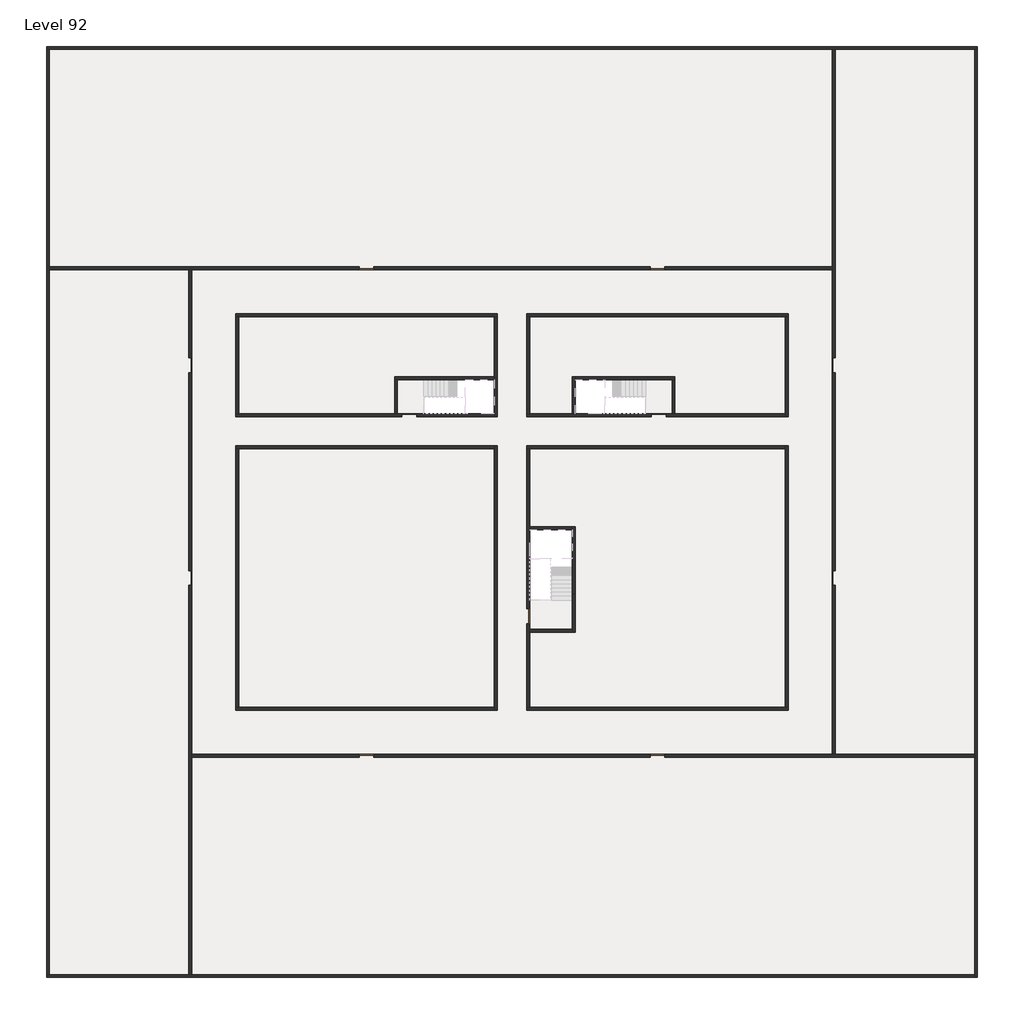
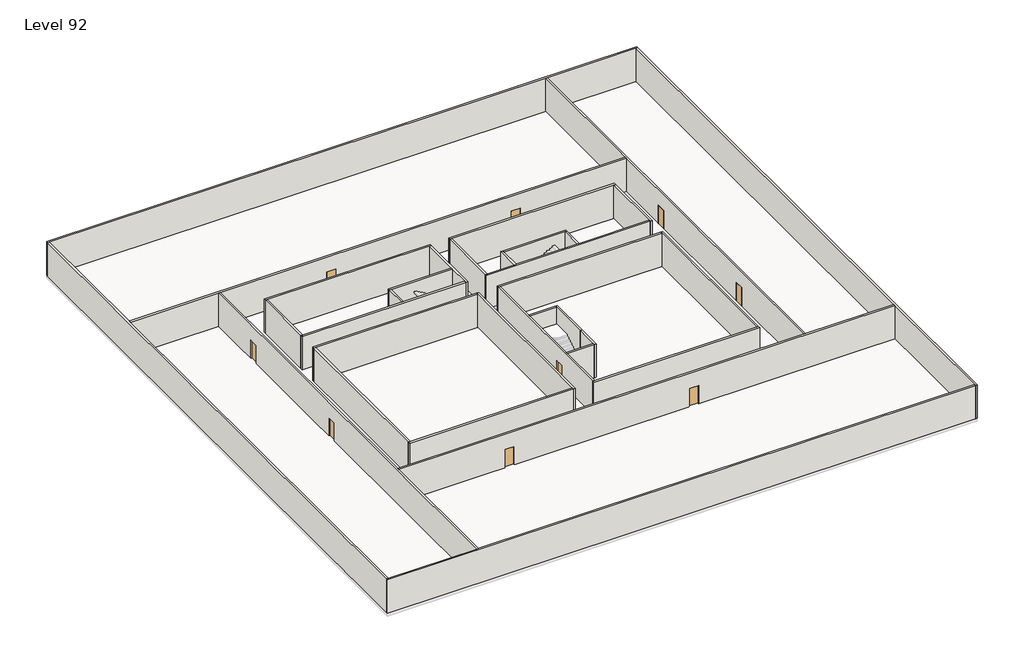
# One storey, part 1 of 2: 33 walls, 11 doors.
"""IFC4 building model written with IfcOpenShell, lengths in millimetres."""

import ifcopenshell
import ifcopenshell.guid

model = None  # the IFC model being written
_history = None  # IfcOwnerHistory: only IFC2X3 demands one
_inside = {}  # id of a spatial element -> (the spatial element, [elements in it])
_under = {}  # id of a project, library or spatial element -> (it, [spatial elements below it])
_declared = {}  # id of a project -> (the project, [libraries it declares])
_typed = {}  # id of a type object -> (the type object, [elements of that type])
_made_of = {}  # id of a material, layer set ... -> (it, [elements and type objects made of it])


def new_model(schema):
    """Start an empty IFC model of exactly this schema.

    Asked for "IFC4X3", IfcOpenShell would pick the latest addendum, in which some entities
    have other attributes; the version numbers below select the first issue.
    IFC2X3 requires an IfcOwnerHistory on every rooted entity: one is made here for all.
    """
    global model, _history
    if schema == "IFC4X3":
        model = ifcopenshell.file(schema_version=(4, 3, 0, 0))
    else:
        model = ifcopenshell.file(schema=schema)
    _inside.clear()
    _under.clear()
    _declared.clear()
    _typed.clear()
    _made_of.clear()
    _history = None
    if model.schema == "IFC2X3":
        org = make("IfcOrganization", Name="unknown")
        user = make(
            "IfcPersonAndOrganization",
            ThePerson=make("IfcPerson", FamilyName="unknown"),
            TheOrganization=org,
        )
        app = make(
            "IfcApplication",
            ApplicationDeveloper=org,
            Version="unknown",
            ApplicationFullName="unknown",
            ApplicationIdentifier="unknown",
        )
        _history = make(
            "IfcOwnerHistory",
            OwningUser=user,
            OwningApplication=app,
            ChangeAction="ADDED",
            CreationDate=0,
        )
    return model


def make(cls, **values):
    """One entity of the class cls with the attributes given. An attribute that is None is left unset."""
    return model.create_entity(
        cls, **{name: value for name, value in values.items() if value is not None}
    )


def rooted(cls, **values):
    """An entity with a GlobalId (a new one), such as an element, a storey or a relation."""
    return make(cls, GlobalId=ifcopenshell.guid.new(), OwnerHistory=_history, **values)


def si_unit(unit_type, name, prefix=None):
    """IfcSIUnit, for example si_unit("LENGTHUNIT", "METRE", prefix="MILLI")."""
    return make("IfcSIUnit", UnitType=unit_type, Prefix=prefix, Name=name)


def assignment(units):
    """IfcUnitAssignment: the units of a project."""
    return None if units is None else make("IfcUnitAssignment", Units=units)


def point(xyz):
    """IfcCartesianPoint."""
    return None if xyz is None else make("IfcCartesianPoint", Coordinates=xyz)


def direction(xyz):
    """IfcDirection."""
    return None if xyz is None else make("IfcDirection", DirectionRatios=xyz)


def frame(location, z_axis=None, x_axis=None):
    """IfcAxis2Placement3D, a coordinate frame: its origin and axes. An axis left out is left unset."""
    return make(
        "IfcAxis2Placement3D",
        Location=point(location),
        Axis=direction(z_axis),
        RefDirection=direction(x_axis),
    )


def origin():
    """The frame at (0, 0, 0) with its axes left unset."""
    return frame((0.0, 0.0, 0.0))


def origin_with_axes():
    """The frame at (0, 0, 0) with the z axis (0, 0, 1) and the x axis (1, 0, 0) written out."""
    return frame((0.0, 0.0, 0.0), z_axis=(0.0, 0.0, 1.0), x_axis=(1.0, 0.0, 0.0))


def place(relative_to, where):
    """IfcLocalPlacement: puts the frame where relative to a parent placement (None: the world)."""
    return make(
        "IfcLocalPlacement", PlacementRelTo=relative_to, RelativePlacement=where
    )


def context(
    kind, dimensions, precision=None, world=None, true_north=None, identifier=None
):
    """IfcGeometricRepresentationContext, for example the 3D "Model" context."""
    return make(
        "IfcGeometricRepresentationContext",
        ContextIdentifier=identifier,
        ContextType=kind,
        CoordinateSpaceDimension=dimensions,
        Precision=precision,
        WorldCoordinateSystem=world,
        TrueNorth=true_north,
    )


def project(units=None, contexts=None):
    """IfcProject with its units and contexts."""
    return rooted(
        "IfcProject",
        Name="project",
        RepresentationContexts=contexts,
        UnitsInContext=assignment(units),
    )


def spatial(cls, under=None, at=None, **own):
    """A site, building, storey or space (cls), placed at a placement, below another one or the project."""
    s = rooted(cls, ObjectPlacement=at, **own)
    if under is not None:
        _under.setdefault(under.id(), (under, []))[1].append(s)
    return s


def polyline(points):
    """IfcPolyline through the points."""
    return make("IfcPolyline", Points=[point(p) for p in points])


def outline(outer, holes=None, kind="AREA"):
    """IfcArbitraryClosedProfileDef: a profile drawn as a closed curve; with holes, ...WithVoids."""
    if holes is None:
        return make("IfcArbitraryClosedProfileDef", ProfileType=kind, OuterCurve=outer)
    return make(
        "IfcArbitraryProfileDefWithVoids",
        ProfileType=kind,
        OuterCurve=outer,
        InnerCurves=holes,
    )


def extrude(swept, where, along, depth):
    """IfcExtrudedAreaSolid: the profile swept, set in the frame where, extruded along a direction by depth."""
    return make(
        "IfcExtrudedAreaSolid",
        SweptArea=swept,
        Position=where,
        ExtrudedDirection=direction(along),
        Depth=depth,
    )


def faces_of(points, faces, orient=None, outer=None):
    """IfcFace entities. A face is a list of loops; a loop is a list of indices into points, from 0.

    orient and outer hold one flag for each loop. By default every Orientation is true, the
    first loop of a face is its IfcFaceOuterBound and the others are IfcFaceBound.
    """
    made = []
    for i, loops in enumerate(faces):
        bounds = []
        for j, loop in enumerate(loops):
            is_outer = j == 0 if outer is None else outer[i][j]
            bounds.append(
                make(
                    "IfcFaceOuterBound" if is_outer else "IfcFaceBound",
                    Bound=make("IfcPolyLoop", Polygon=[points[k] for k in loop]),
                    Orientation=True if orient is None else orient[i][j],
                )
            )
        made.append(make("IfcFace", Bounds=bounds))
    return made


def faceted_brep(points, faces, orient=None, outer=None, voids=None):
    """IfcFacetedBrep: a solid bounded by flat faces; with voids (closed shells), ...WithVoids."""
    shared = [point(p) for p in points]
    hull = make("IfcClosedShell", CfsFaces=faces_of(shared, faces, orient, outer))
    if voids is None:
        return make("IfcFacetedBrep", Outer=hull)
    return make(
        "IfcFacetedBrepWithVoids",
        Outer=hull,
        Voids=[
            make(cls, CfsFaces=faces_of(shared, fs, o, b)) for cls, fs, o, b in voids
        ],
    )


def shape(context_of_items, identifier, shape_type, items):
    """IfcShapeRepresentation: the items that make up one representation, for example the "Body"."""
    return make(
        "IfcShapeRepresentation",
        ContextOfItems=context_of_items,
        RepresentationIdentifier=identifier,
        RepresentationType=shape_type,
        Items=items,
    )


def source(mapping_origin, context_of_items, identifier, shape_type, items):
    """IfcRepresentationMap: a shape defined once, which mapped items show again and again."""
    return make(
        "IfcRepresentationMap",
        MappingOrigin=mapping_origin,
        MappedRepresentation=shape(context_of_items, identifier, shape_type, items),
    )


def transform(
    local_origin,
    x_axis=None,
    y_axis=None,
    z_axis=None,
    scale=None,
    scale2=None,
    scale3=None,
    uniform=True,
):
    """IfcCartesianTransformationOperator3D, or its non-uniform kind. x_axis, y_axis, z_axis: its Axis1, 2, 3."""
    if uniform:
        return make(
            "IfcCartesianTransformationOperator3D",
            Axis1=direction(x_axis),
            Axis2=direction(y_axis),
            LocalOrigin=point(local_origin),
            Scale=scale,
            Axis3=direction(z_axis),
        )
    return make(
        "IfcCartesianTransformationOperator3DnonUniform",
        Axis1=direction(x_axis),
        Axis2=direction(y_axis),
        LocalOrigin=point(local_origin),
        Scale=scale,
        Axis3=direction(z_axis),
        Scale2=scale2,
        Scale3=scale3,
    )


def mapped(mapping_source, mapping_target):
    """IfcMappedItem: shows the shape of a source again, moved by a transform."""
    return make(
        "IfcMappedItem", MappingSource=mapping_source, MappingTarget=mapping_target
    )


def made_of(thing, what):
    """Note that an element or type object is made of a material, layer set ...; save() writes the relation."""
    if what is not None:
        _made_of.setdefault(what.id(), (what, []))[1].append(thing)
    return thing


def element(
    cls,
    number,
    at=None,
    inside=None,
    cuts=None,
    type_object=None,
    material=None,
    context=None,
    identifier="Body",
    shape_type=None,
    held_by="IfcProductDefinitionShape",
    body=None,
    shapes=None,
    **own,
):
    """One element of the class cls, such as IfcWall. Its Tag is "e" and its number.

    at: its placement. inside: the storey or other place that contains it. cuts: it is an
    opening in that element (IfcRelVoidsElement). A single representation is given by context,
    identifier, shape_type and body (its items); several are given by shapes. held_by: the class
    of the entity that holds the representations. save() writes the other relations.
    """
    e = rooted(cls, Tag="e%d" % number, ObjectPlacement=at, **own)
    if body is not None:
        shapes = [shape(context, identifier, shape_type, body)]
    if shapes is not None:
        e.Representation = make(held_by, Representations=shapes)
    if inside is not None:
        _inside.setdefault(inside.id(), (inside, []))[1].append(e)
    if cuts is not None:
        rooted(
            "IfcRelVoidsElement", RelatingBuildingElement=cuts, RelatedOpeningElement=e
        )
    if type_object is not None:
        _typed.setdefault(type_object.id(), (type_object, []))[1].append(e)
    return made_of(e, material)


def aggregate(whole, parts):
    """IfcRelAggregates: a whole, such as a stair, and the parts it consists of."""
    return rooted("IfcRelAggregates", RelatingObject=whole, RelatedObjects=parts)


def save(model, path):
    """Write the relations noted so far, then the file.

    IfcRelAggregates (storeys below a building ...), IfcRelContainedInSpatialStructure (elements
    in a storey), IfcRelDefinesByType, IfcRelAssociatesMaterial and IfcRelDeclares: one each for
    every whole, place, type object, material and project.
    """
    for whole, parts in _under.values():
        aggregate(whole, parts)
    for where, things in _inside.values():
        rooted(
            "IfcRelContainedInSpatialStructure",
            RelatedElements=things,
            RelatingStructure=where,
        )
    for kind, things in _typed.values():
        rooted("IfcRelDefinesByType", RelatedObjects=things, RelatingType=kind)
    for what, things in _made_of.values():
        rooted("IfcRelAssociatesMaterial", RelatedObjects=things, RelatingMaterial=what)
    for by, libraries in _declared.values():
        rooted("IfcRelDeclares", RelatingContext=by, RelatedDefinitions=libraries)
    model.write(path)


def door_fb3c37fd(model_context):
    return source(origin(), model_context, "Body", "SweptSolid", [
        extrude(outline(polyline([(500.0, 49.0), (-500.0, 49.0), (-500.0, 100.0), (500.0, 100.0), (500.0, 49.0)])), origin_with_axes(), (0.0, 0.0, 1.0), 2100.0),
    ])


def door_0317a72c(model_context):
    return source(origin(), model_context, "Body", "SweptSolid", [
        extrude(outline(polyline([(500.0, -49.0), (500.0, -100.0), (-500.0, -100.0), (-500.0, -49.0), (500.0, -49.0)])), origin_with_axes(), (0.0, 0.0, 1.0), 2100.0),
    ])


model = new_model("IFC4")

# Units and contexts
model_context = context("Model", 3, world=origin())
ifc_project = project(units=[si_unit("LENGTHUNIT", "METRE", prefix="MILLI")], contexts=[model_context])

# Site, building, storey
site = spatial("IfcSite", under=ifc_project)
building = spatial("IfcBuilding", under=site)
storey = spatial("IfcBuildingStorey", under=building, Name="Level 92", Elevation=345800.0)

# Doors
placement = place(None, origin())
door_shape = door_fb3c37fd(model_context)
element("IfcDoor", 1, at=placement, inside=storey, context=model_context, shape_type="MappedRepresentation", body=[
    mapped(door_shape, transform((34190.1058784, -30618.09644, 345800.0), x_axis=(1.0, 0.0, 0.0), y_axis=(0.0, 1.0, 0.0), z_axis=(0.0, 0.0, 1.0))),
])
element("IfcDoor", 2, at=placement, inside=storey, context=model_context, shape_type="MappedRepresentation", body=[
    mapped(door_shape, transform((25290.1058784, -44318.09644, 345800.0), x_axis=(0.0, -1.0, 0.0), y_axis=(1.0, 0.0, 0.0), z_axis=(0.0, 0.0, 1.0))),
])
element("IfcDoor", 3, at=placement, inside=storey, context=model_context, shape_type="MappedRepresentation", body=[
    mapped(door_shape, transform((2290.1058784, -41718.09644, 345800.0), x_axis=(0.0, -1.0, 0.0), y_axis=(1.0, 0.0, 0.0), z_axis=(0.0, 0.0, 1.0))),
])
element("IfcDoor", 4, at=placement, inside=storey, context=model_context, shape_type="MappedRepresentation", body=[
    mapped(door_shape, transform((2290.1058784, -27218.09644, 345800.0), x_axis=(0.0, -1.0, 0.0), y_axis=(1.0, 0.0, 0.0), z_axis=(0.0, 0.0, 1.0))),
])
element("IfcDoor", 5, at=placement, inside=storey, context=model_context, shape_type="MappedRepresentation", body=[
    mapped(door_shape, transform((14290.1058784, -20618.09644, 345800.0), x_axis=(-1.0, 0.0, 0.0), y_axis=(0.0, -1.0, 0.0), z_axis=(0.0, 0.0, 1.0))),
])
element("IfcDoor", 6, at=placement, inside=storey, context=model_context, shape_type="MappedRepresentation", body=[
    mapped(door_shape, transform((34090.1058784, -20618.09644, 345800.0), x_axis=(-1.0, 0.0, 0.0), y_axis=(0.0, -1.0, 0.0), z_axis=(0.0, 0.0, 1.0))),
])
element("IfcDoor", 7, at=placement, inside=storey, context=model_context, shape_type="MappedRepresentation", body=[
    mapped(door_shape, transform((46090.1058784, -27218.09644, 345800.0), x_axis=(0.0, 1.0, 0.0), y_axis=(-1.0, 0.0, 0.0), z_axis=(0.0, 0.0, 1.0))),
])
element("IfcDoor", 8, at=placement, inside=storey, context=model_context, shape_type="MappedRepresentation", body=[
    mapped(door_shape, transform((46090.1058784, -41718.09644, 345800.0), x_axis=(0.0, 1.0, 0.0), y_axis=(-1.0, 0.0, 0.0), z_axis=(0.0, 0.0, 1.0))),
])
element("IfcDoor", 9, at=placement, inside=storey, context=model_context, shape_type="MappedRepresentation", body=[
    mapped(door_shape, transform((34090.1058784, -53818.09644, 345800.0), x_axis=(1.0, 0.0, 0.0), y_axis=(0.0, 1.0, 0.0), z_axis=(0.0, 0.0, 1.0))),
])
element("IfcDoor", 10, at=placement, inside=storey, context=model_context, shape_type="MappedRepresentation", body=[
    mapped(door_shape, transform((14290.1058784, -53818.09644, 345800.0), x_axis=(1.0, 0.0, 0.0), y_axis=(0.0, 1.0, 0.0), z_axis=(0.0, 0.0, 1.0))),
])
door_2_shape = door_0317a72c(model_context)
element("IfcDoor", 11, at=placement, inside=storey, context=model_context, shape_type="MappedRepresentation", body=[
    mapped(door_2_shape, transform((17190.1058784, -30618.09644, 345800.0), x_axis=(-1.0, 0.0, 0.0), y_axis=(0.0, -1.0, 0.0), z_axis=(0.0, 0.0, 1.0))),
])

# Walls
element("IfcWall", 12, at=placement, inside=storey, context=model_context, shape_type="Brep", body=[
    faceted_brep([(-7509.8941216, -5718.09644, 345800.0), (-7309.8941216, -5718.09644, 345800.0), (45990.1058784, -5718.09644, 345800.0), (46190.1058784, -5718.09644, 345800.0), (55690.1058784, -5718.09644, 345800.0), (55890.1058784, -5718.09644, 345800.0), (55890.1058784, -5718.09644, 349600.0), (55690.1058784, -5718.09644, 349600.0), (46190.1058784, -5718.09644, 349600.0), (45990.1058784, -5718.09644, 349600.0), (-7309.8941216, -5718.09644, 349600.0), (-7509.8941216, -5718.09644, 349600.0), (-7509.8941216, -5518.09644, 345800.0), (-7509.8941216, -5518.09644, 349600.0), (55890.1058784, -5518.09644, 349600.0), (55890.1058784, -5518.09644, 345800.0)], [[[0, 1, 2, 3, 4, 5, 6, 7, 8, 9, 10, 11]], [[12, 13, 14, 15]], [[5, 4, 3, 2, 1, 0, 12, 15]], [[11, 10, 9, 8, 7, 6, 14, 13]], [[0, 11, 13, 12]], [[6, 5, 15, 14]]]),
])
element("IfcWall", 13, at=placement, inside=storey, context=model_context, shape_type="Brep", body=[
    faceted_brep([(55690.1058784, -5718.09644, 345800.0), (55690.1058784, -53718.09644, 345800.0), (55690.1058784, -53918.09644, 345800.0), (55690.1058784, -68718.09644, 345800.0), (55690.1058784, -68918.09644, 345800.0), (55690.1058784, -68918.09644, 349600.0), (55690.1058784, -68718.09644, 349600.0), (55690.1058784, -53918.09644, 349600.0), (55690.1058784, -53718.09644, 349600.0), (55690.1058784, -5718.09644, 349600.0), (55890.1058784, -5718.09644, 345800.0), (55890.1058784, -5718.09644, 349600.0), (55890.1058784, -68918.09644, 349600.0), (55890.1058784, -68918.09644, 345800.0)], [[[0, 1, 2, 3, 4, 5, 6, 7, 8, 9]], [[10, 11, 12, 13]], [[4, 3, 2, 1, 0, 10, 13]], [[9, 8, 7, 6, 5, 12, 11]], [[5, 4, 13, 12]], [[0, 9, 11, 10]]]),
])
element("IfcWall", 14, at=placement, inside=storey, context=model_context, shape_type="Brep", body=[
    faceted_brep([(55690.1058784, -68718.09644, 345800.0), (2390.1058784, -68718.09644, 345800.0), (2190.1058784, -68718.09644, 345800.0), (-7309.8941216, -68718.09644, 345800.0), (-7509.8941216, -68718.09644, 345800.0), (-7509.8941216, -68718.09644, 349600.0), (-7309.8941216, -68718.09644, 349600.0), (2190.1058784, -68718.09644, 349600.0), (2390.1058784, -68718.09644, 349600.0), (55690.1058784, -68718.09644, 349600.0), (55690.1058784, -68918.09644, 345800.0), (55690.1058784, -68918.09644, 349600.0), (-7509.8941216, -68918.09644, 349600.0), (-7509.8941216, -68918.09644, 345800.0)], [[[0, 1, 2, 3, 4, 5, 6, 7, 8, 9]], [[10, 11, 12, 13]], [[4, 3, 2, 1, 0, 10, 13]], [[9, 8, 7, 6, 5, 12, 11]], [[5, 4, 13, 12]], [[0, 9, 11, 10]]]),
])
element("IfcWall", 15, at=placement, inside=storey, context=model_context, shape_type="Brep", body=[
    faceted_brep([(-7309.8941216, -68718.09644, 345800.0), (-7309.8941216, -20718.09644, 345800.0), (-7309.8941216, -20518.09644, 345800.0), (-7309.8941216, -5718.09644, 345800.0), (-7309.8941216, -5718.09644, 349600.0), (-7309.8941216, -20518.09644, 349600.0), (-7309.8941216, -20718.09644, 349600.0), (-7309.8941216, -68718.09644, 349600.0), (-7509.8941216, -68718.09644, 345800.0), (-7509.8941216, -68718.09644, 349600.0), (-7509.8941216, -5718.09644, 349600.0), (-7509.8941216, -5718.09644, 345800.0)], [[[0, 1, 2, 3, 4, 5, 6, 7]], [[8, 9, 10, 11]], [[3, 2, 1, 0, 8, 11]], [[7, 6, 5, 4, 10, 9]], [[0, 7, 9, 8]], [[4, 3, 11, 10]]]),
])
element("IfcWall", 16, at=placement, inside=storey, context=model_context, shape_type="Brep", body=[
    faceted_brep([(5390.1058784, -23918.09644, 345800.0), (5590.1058784, -23918.09644, 345800.0), (22990.1058784, -23918.09644, 345800.0), (23190.1058784, -23918.09644, 345800.0), (23190.1058784, -23918.09644, 349600.0), (22990.1058784, -23918.09644, 349600.0), (5590.1058784, -23918.09644, 349600.0), (5390.1058784, -23918.09644, 349600.0), (5390.1058784, -23718.09644, 345800.0), (5390.1058784, -23718.09644, 349600.0), (23190.1058784, -23718.09644, 349600.0), (23190.1058784, -23718.09644, 345800.0)], [[[0, 1, 2, 3, 4, 5, 6, 7]], [[8, 9, 10, 11]], [[3, 2, 1, 0, 8, 11]], [[7, 6, 5, 4, 10, 9]], [[4, 3, 11, 10]], [[0, 7, 9, 8]]]),
])
element("IfcWall", 17, at=placement, inside=storey, context=model_context, shape_type="Brep", body=[
    faceted_brep([(22990.1058784, -23918.09644, 345800.0), (22990.1058784, -28018.09644, 345800.0), (22990.1058784, -28218.09644, 345800.0), (22990.1058784, -30518.09644, 345800.0), (22990.1058784, -30718.09644, 345800.0), (22990.1058784, -30718.09644, 349600.0), (22990.1058784, -30518.09644, 349600.0), (22990.1058784, -28218.09644, 349600.0), (22990.1058784, -28018.09644, 349600.0), (22990.1058784, -23918.09644, 349600.0), (23190.1058784, -23918.09644, 345800.0), (23190.1058784, -23918.09644, 349600.0), (23190.1058784, -30718.09644, 349600.0), (23190.1058784, -30718.09644, 345800.0)], [[[0, 1, 2, 3, 4, 5, 6, 7, 8, 9]], [[10, 11, 12, 13]], [[4, 3, 2, 1, 0, 10, 13]], [[9, 8, 7, 6, 5, 12, 11]], [[0, 9, 11, 10]], [[5, 4, 13, 12]]]),
])
element("IfcWall", 18, at=placement, inside=storey, context=model_context, shape_type="Brep", body=[
    faceted_brep([(25190.1058784, -44818.09644, 347900.0), (25190.1058784, -44818.09644, 345800.0), (25190.1058784, -50518.09644, 345800.0), (25190.1058784, -50518.09644, 349600.0), (25190.1058784, -32918.09644, 349600.0), (25190.1058784, -32918.09644, 345800.0), (25190.1058784, -43818.09644, 345800.0), (25190.1058784, -43818.09644, 347900.0), (25390.1058784, -50518.09644, 345800.0), (25390.1058784, -45418.09644, 345800.0), (25390.1058784, -45218.09644, 345800.0), (25390.1058784, -44818.09644, 345800.0), (25390.1058784, -44818.09644, 347900.0), (25390.1058784, -43818.09644, 347900.0), (25390.1058784, -43818.09644, 345800.0), (25390.1058784, -38418.09644, 345800.0), (25390.1058784, -38218.09644, 345800.0), (25390.1058784, -32918.09644, 345800.0), (25390.1058784, -32918.09644, 349600.0), (25390.1058784, -38218.09644, 349600.0), (25390.1058784, -38418.09644, 349600.0), (25390.1058784, -45218.09644, 349600.0), (25390.1058784, -45418.09644, 349600.0), (25390.1058784, -50518.09644, 349600.0)], [[[0, 1, 2, 3, 4, 5, 6, 7]], [[8, 9, 10, 11, 12, 13, 14, 15, 16, 17, 18, 19, 20, 21, 22, 23]], [[6, 5, 17, 16, 15, 14]], [[2, 1, 11, 10, 9, 8]], [[4, 3, 23, 22, 21, 20, 19, 18]], [[12, 11, 1, 0]], [[13, 12, 0, 7]], [[14, 13, 7, 6]], [[5, 4, 18, 17]], [[3, 2, 8, 23]]]),
])
element("IfcWall", 19, at=placement, inside=storey, context=model_context, shape_type="Brep", body=[
    faceted_brep([(22990.1058784, -32718.09644, 345800.0), (22990.1058784, -32918.09644, 345800.0), (22990.1058784, -50518.09644, 345800.0), (22990.1058784, -50718.09644, 345800.0), (22990.1058784, -50718.09644, 349600.0), (22990.1058784, -50518.09644, 349600.0), (22990.1058784, -32918.09644, 349600.0), (22990.1058784, -32718.09644, 349600.0), (23190.1058784, -32718.09644, 345800.0), (23190.1058784, -32718.09644, 349600.0), (23190.1058784, -50718.09644, 349600.0), (23190.1058784, -50718.09644, 345800.0)], [[[0, 1, 2, 3, 4, 5, 6, 7]], [[8, 9, 10, 11]], [[3, 2, 1, 0, 8, 11]], [[7, 6, 5, 4, 10, 9]], [[4, 3, 11, 10]], [[0, 7, 9, 8]]]),
])
element("IfcWall", 20, at=placement, inside=storey, context=model_context, shape_type="Brep", body=[
    faceted_brep([(22990.1058784, -50518.09644, 345800.0), (5590.1058784, -50518.09644, 345800.0), (5390.1058784, -50518.09644, 345800.0), (5390.1058784, -50518.09644, 349600.0), (5590.1058784, -50518.09644, 349600.0), (22990.1058784, -50518.09644, 349600.0), (22990.1058784, -50718.09644, 345800.0), (22990.1058784, -50718.09644, 349600.0), (5390.1058784, -50718.09644, 349600.0), (5390.1058784, -50718.09644, 345800.0)], [[[0, 1, 2, 3, 4, 5]], [[6, 7, 8, 9]], [[2, 1, 0, 6, 9]], [[5, 4, 3, 8, 7]], [[0, 5, 7, 6]], [[3, 2, 9, 8]]]),
])
element("IfcWall", 21, at=placement, inside=storey, context=model_context, shape_type="Brep", body=[
    faceted_brep([(28290.1058784, -42818.09644, 345800.0), (28290.1058784, -45218.09644, 345800.0), (28290.1058784, -45418.09644, 345800.0), (28290.1058784, -45418.09644, 349600.0), (28290.1058784, -45218.09644, 349600.0), (28290.1058784, -42818.09644, 349600.0), (28490.1058784, -42818.09644, 345800.0), (28490.1058784, -42818.09644, 349600.0), (28490.1058784, -45418.09644, 349600.0), (28490.1058784, -45418.09644, 345800.0)], [[[0, 1, 2, 3, 4, 5]], [[6, 7, 8, 9]], [[2, 1, 0, 6, 9]], [[5, 4, 3, 8, 7]], [[0, 5, 7, 6]], [[3, 2, 9, 8]]]),
])
element("IfcWall", 22, at=placement, inside=storey, context=model_context, shape_type="SweptSolid", body=[
    extrude(outline(polyline([(5390.1058784, -30518.09644), (5390.1058784, -23918.09644), (5590.1058784, -23918.09644), (5590.1058784, -30518.09644), (5390.1058784, -30518.09644)])), frame((0.0, 0.0, 345800.0), z_axis=(0.0, 0.0, 1.0), x_axis=(1.0, 0.0, 0.0)), (0.0, 0.0, 1.0), 3800.0),
])
element("IfcWall", 23, at=placement, inside=storey, context=model_context, shape_type="Brep", body=[
    faceted_brep([(5390.1058784, -30718.09644, 345800.0), (16690.1058784, -30718.09644, 345800.0), (16690.1058784, -30718.09644, 347900.0), (17690.1058784, -30718.09644, 347900.0), (17690.1058784, -30718.09644, 345800.0), (22990.1058784, -30718.09644, 345800.0), (22990.1058784, -30718.09644, 349600.0), (5390.1058784, -30718.09644, 349600.0), (16690.1058784, -30518.09644, 347900.0), (16690.1058784, -30518.09644, 345800.0), (16390.1058784, -30518.09644, 345800.0), (16190.1058784, -30518.09644, 345800.0), (5590.1058784, -30518.09644, 345800.0), (5390.1058784, -30518.09644, 345800.0), (5390.1058784, -30518.09644, 349600.0), (5590.1058784, -30518.09644, 349600.0), (16190.1058784, -30518.09644, 349600.0), (16390.1058784, -30518.09644, 349600.0), (22990.1058784, -30518.09644, 349600.0), (22990.1058784, -30518.09644, 345800.0), (17690.1058784, -30518.09644, 345800.0), (17690.1058784, -30518.09644, 347900.0)], [[[0, 1, 2, 3, 4, 5, 6, 7]], [[8, 9, 10, 11, 12, 13, 14, 15, 16, 17, 18, 19, 20, 21]], [[20, 19, 5, 4]], [[13, 12, 11, 10, 9, 1, 0]], [[7, 6, 18, 17, 16, 15, 14]], [[2, 1, 9, 8]], [[3, 2, 8, 21]], [[4, 3, 21, 20]], [[0, 7, 14, 13]], [[6, 5, 19, 18]]]),
])
element("IfcWall", 24, at=placement, inside=storey, context=model_context, shape_type="Brep", body=[
    faceted_brep([(28490.1058784, -42818.09644, 345800.0), (28490.1058784, -38218.09644, 345800.0), (28490.1058784, -38218.09644, 349600.0), (28490.1058784, -42818.09644, 349600.0), (28290.1058784, -42818.09644, 345800.0), (28290.1058784, -42818.09644, 349600.0), (28290.1058784, -38418.09644, 349600.0), (28290.1058784, -38218.09644, 349600.0), (28290.1058784, -38218.09644, 345800.0), (28290.1058784, -38418.09644, 345800.0)], [[[0, 1, 2, 3]], [[4, 5, 6, 7, 8, 9]], [[1, 0, 4, 9, 8]], [[3, 2, 7, 6, 5]], [[0, 3, 5, 4]], [[2, 1, 8, 7]]]),
])
element("IfcWall", 25, at=placement, inside=storey, context=model_context, shape_type="SweptSolid", body=[
    extrude(outline(polyline([(25390.1058784, -38218.09644), (28290.1058784, -38218.09644), (28290.1058784, -38418.09644), (25390.1058784, -38418.09644), (25390.1058784, -38218.09644)])), frame((0.0, 0.0, 345800.0), z_axis=(0.0, 0.0, 1.0), x_axis=(1.0, 0.0, 0.0)), (0.0, 0.0, 1.0), 3800.0),
])
element("IfcWall", 26, at=placement, inside=storey, context=model_context, shape_type="SweptSolid", body=[
    extrude(outline(polyline([(28290.1058784, -45418.09644), (25390.1058784, -45418.09644), (25390.1058784, -45218.09644), (28290.1058784, -45218.09644), (28290.1058784, -45418.09644)])), frame((0.0, 0.0, 345800.0), z_axis=(0.0, 0.0, 1.0), x_axis=(1.0, 0.0, 0.0)), (0.0, 0.0, 1.0), 3800.0),
])
element("IfcWall", 27, at=placement, inside=storey, context=model_context, shape_type="Brep", body=[
    faceted_brep([(5390.1058784, -32918.09644, 345800.0), (5590.1058784, -32918.09644, 345800.0), (22990.1058784, -32918.09644, 345800.0), (22990.1058784, -32918.09644, 349600.0), (5590.1058784, -32918.09644, 349600.0), (5390.1058784, -32918.09644, 349600.0), (5390.1058784, -32718.09644, 345800.0), (5390.1058784, -32718.09644, 349600.0), (22990.1058784, -32718.09644, 349600.0), (22990.1058784, -32718.09644, 345800.0)], [[[0, 1, 2, 3, 4, 5]], [[6, 7, 8, 9]], [[2, 1, 0, 6, 9]], [[5, 4, 3, 8, 7]], [[3, 2, 9, 8]], [[0, 5, 7, 6]]]),
])
element("IfcWall", 28, at=placement, inside=storey, context=model_context, shape_type="SweptSolid", body=[
    extrude(outline(polyline([(5390.1058784, -50518.09644), (5390.1058784, -32918.09644), (5590.1058784, -32918.09644), (5590.1058784, -50518.09644), (5390.1058784, -50518.09644)])), frame((0.0, 0.0, 345800.0), z_axis=(0.0, 0.0, 1.0), x_axis=(1.0, 0.0, 0.0)), (0.0, 0.0, 1.0), 3800.0),
])
element("IfcWall", 29, at=placement, inside=storey, context=model_context, shape_type="Brep", body=[
    faceted_brep([(25190.1058784, -50718.09644, 345800.0), (42990.1058784, -50718.09644, 345800.0), (42990.1058784, -50718.09644, 349600.0), (25190.1058784, -50718.09644, 349600.0), (25190.1058784, -50518.09644, 345800.0), (25190.1058784, -50518.09644, 349600.0), (25390.1058784, -50518.09644, 349600.0), (42790.1058784, -50518.09644, 349600.0), (42990.1058784, -50518.09644, 349600.0), (42990.1058784, -50518.09644, 345800.0), (42790.1058784, -50518.09644, 345800.0), (25390.1058784, -50518.09644, 345800.0)], [[[0, 1, 2, 3]], [[4, 5, 6, 7, 8, 9, 10, 11]], [[1, 0, 4, 11, 10, 9]], [[3, 2, 8, 7, 6, 5]], [[2, 1, 9, 8]], [[0, 3, 5, 4]]]),
])
element("IfcWall", 30, at=placement, inside=storey, context=model_context, shape_type="Brep", body=[
    faceted_brep([(42990.1058784, -50518.09644, 345800.0), (42990.1058784, -32718.09644, 345800.0), (42990.1058784, -32718.09644, 349600.0), (42990.1058784, -50518.09644, 349600.0), (42790.1058784, -50518.09644, 345800.0), (42790.1058784, -50518.09644, 349600.0), (42790.1058784, -32918.09644, 349600.0), (42790.1058784, -32718.09644, 349600.0), (42790.1058784, -32718.09644, 345800.0), (42790.1058784, -32918.09644, 345800.0)], [[[0, 1, 2, 3]], [[4, 5, 6, 7, 8, 9]], [[1, 0, 4, 9, 8]], [[3, 2, 7, 6, 5]], [[0, 3, 5, 4]], [[2, 1, 8, 7]]]),
])
element("IfcWall", 31, at=placement, inside=storey, context=model_context, shape_type="Brep", body=[
    faceted_brep([(42790.1058784, -32718.09644, 345800.0), (25190.1058784, -32718.09644, 345800.0), (25190.1058784, -32718.09644, 349600.0), (42790.1058784, -32718.09644, 349600.0), (42790.1058784, -32918.09644, 345800.0), (42790.1058784, -32918.09644, 349600.0), (25390.1058784, -32918.09644, 349600.0), (25190.1058784, -32918.09644, 349600.0), (25190.1058784, -32918.09644, 345800.0), (25390.1058784, -32918.09644, 345800.0)], [[[0, 1, 2, 3]], [[4, 5, 6, 7, 8, 9]], [[1, 0, 4, 9, 8]], [[3, 2, 7, 6, 5]], [[0, 3, 5, 4]], [[2, 1, 8, 7]]]),
])
element("IfcWall", 32, at=placement, inside=storey, context=model_context, shape_type="Brep", body=[
    faceted_brep([(25190.1058784, -23918.09644, 345800.0), (25390.1058784, -23918.09644, 345800.0), (42790.1058784, -23918.09644, 345800.0), (42990.1058784, -23918.09644, 345800.0), (42990.1058784, -23918.09644, 349600.0), (42790.1058784, -23918.09644, 349600.0), (25390.1058784, -23918.09644, 349600.0), (25190.1058784, -23918.09644, 349600.0), (25190.1058784, -23718.09644, 345800.0), (25190.1058784, -23718.09644, 349600.0), (42990.1058784, -23718.09644, 349600.0), (42990.1058784, -23718.09644, 345800.0)], [[[0, 1, 2, 3, 4, 5, 6, 7]], [[8, 9, 10, 11]], [[3, 2, 1, 0, 8, 11]], [[7, 6, 5, 4, 10, 9]], [[0, 7, 9, 8]], [[4, 3, 11, 10]]]),
])
element("IfcWall", 33, at=placement, inside=storey, context=model_context, shape_type="Brep", body=[
    faceted_brep([(42790.1058784, -23918.09644, 345800.0), (42790.1058784, -30518.09644, 345800.0), (42790.1058784, -30718.09644, 345800.0), (42790.1058784, -30718.09644, 349600.0), (42790.1058784, -30518.09644, 349600.0), (42790.1058784, -23918.09644, 349600.0), (42990.1058784, -23918.09644, 345800.0), (42990.1058784, -23918.09644, 349600.0), (42990.1058784, -30718.09644, 349600.0), (42990.1058784, -30718.09644, 345800.0)], [[[0, 1, 2, 3, 4, 5]], [[6, 7, 8, 9]], [[2, 1, 0, 6, 9]], [[5, 4, 3, 8, 7]], [[0, 5, 7, 6]], [[3, 2, 9, 8]]]),
])
element("IfcWall", 34, at=placement, inside=storey, context=model_context, shape_type="Brep", body=[
    faceted_brep([(42790.1058784, -30518.09644, 345800.0), (35290.1058784, -30518.09644, 345800.0), (35090.1058784, -30518.09644, 345800.0), (34690.1058784, -30518.09644, 345800.0), (34690.1058784, -30518.09644, 347900.0), (33690.1058784, -30518.09644, 347900.0), (33690.1058784, -30518.09644, 345800.0), (28490.1058784, -30518.09644, 345800.0), (28290.1058784, -30518.09644, 345800.0), (25390.1058784, -30518.09644, 345800.0), (25190.1058784, -30518.09644, 345800.0), (25190.1058784, -30518.09644, 349600.0), (25390.1058784, -30518.09644, 349600.0), (28290.1058784, -30518.09644, 349600.0), (28490.1058784, -30518.09644, 349600.0), (35090.1058784, -30518.09644, 349600.0), (35290.1058784, -30518.09644, 349600.0), (42790.1058784, -30518.09644, 349600.0), (34690.1058784, -30718.09644, 347900.0), (34690.1058784, -30718.09644, 345800.0), (42790.1058784, -30718.09644, 345800.0), (42790.1058784, -30718.09644, 349600.0), (25190.1058784, -30718.09644, 349600.0), (25190.1058784, -30718.09644, 345800.0), (33690.1058784, -30718.09644, 345800.0), (33690.1058784, -30718.09644, 347900.0)], [[[0, 1, 2, 3, 4, 5, 6, 7, 8, 9, 10, 11, 12, 13, 14, 15, 16, 17]], [[18, 19, 20, 21, 22, 23, 24, 25]], [[24, 23, 10, 9, 8, 7, 6]], [[20, 19, 3, 2, 1, 0]], [[17, 16, 15, 14, 13, 12, 11, 22, 21]], [[4, 3, 19, 18]], [[5, 4, 18, 25]], [[6, 5, 25, 24]], [[11, 10, 23, 22]], [[0, 17, 21, 20]]]),
])
element("IfcWall", 35, at=placement, inside=storey, context=model_context, shape_type="SweptSolid", body=[
    extrude(outline(polyline([(25390.1058784, -23918.09644), (25390.1058784, -30518.09644), (25190.1058784, -30518.09644), (25190.1058784, -23918.09644), (25390.1058784, -23918.09644)])), frame((0.0, 0.0, 345800.0), z_axis=(0.0, 0.0, 1.0), x_axis=(1.0, 0.0, 0.0)), (0.0, 0.0, 1.0), 3800.0),
])
element("IfcWall", 36, at=placement, inside=storey, context=model_context, shape_type="Brep", body=[
    faceted_brep([(28490.1058784, -30518.09644, 345800.0), (28490.1058784, -28218.09644, 345800.0), (28490.1058784, -28018.09644, 345800.0), (28490.1058784, -28018.09644, 349600.0), (28490.1058784, -28218.09644, 349600.0), (28490.1058784, -30518.09644, 349600.0), (28290.1058784, -30518.09644, 345800.0), (28290.1058784, -30518.09644, 349600.0), (28290.1058784, -28018.09644, 349600.0), (28290.1058784, -28018.09644, 345800.0)], [[[0, 1, 2, 3, 4, 5]], [[6, 7, 8, 9]], [[2, 1, 0, 6, 9]], [[5, 4, 3, 8, 7]], [[3, 2, 9, 8]], [[0, 5, 7, 6]]]),
])
element("IfcWall", 37, at=placement, inside=storey, context=model_context, shape_type="Brep", body=[
    faceted_brep([(28490.1058784, -28218.09644, 345800.0), (35090.1058784, -28218.09644, 345800.0), (35290.1058784, -28218.09644, 345800.0), (35290.1058784, -28218.09644, 349600.0), (35090.1058784, -28218.09644, 349600.0), (28490.1058784, -28218.09644, 349600.0), (28490.1058784, -28018.09644, 345800.0), (28490.1058784, -28018.09644, 349600.0), (35290.1058784, -28018.09644, 349600.0), (35290.1058784, -28018.09644, 345800.0)], [[[0, 1, 2, 3, 4, 5]], [[6, 7, 8, 9]], [[2, 1, 0, 6, 9]], [[5, 4, 3, 8, 7]], [[0, 5, 7, 6]], [[3, 2, 9, 8]]]),
])
element("IfcWall", 38, at=placement, inside=storey, context=model_context, shape_type="SweptSolid", body=[
    extrude(outline(polyline([(35090.1058784, -30518.09644), (35090.1058784, -28218.09644), (35290.1058784, -28218.09644), (35290.1058784, -30518.09644), (35090.1058784, -30518.09644)])), frame((0.0, 0.0, 345800.0), z_axis=(0.0, 0.0, 1.0), x_axis=(1.0, 0.0, 0.0)), (0.0, 0.0, 1.0), 3800.0),
])
element("IfcWall", 39, at=placement, inside=storey, context=model_context, shape_type="Brep", body=[
    faceted_brep([(22990.1058784, -28018.09644, 345800.0), (16190.1058784, -28018.09644, 345800.0), (16190.1058784, -28018.09644, 349600.0), (22990.1058784, -28018.09644, 349600.0), (22990.1058784, -28218.09644, 345800.0), (22990.1058784, -28218.09644, 349600.0), (16390.1058784, -28218.09644, 349600.0), (16190.1058784, -28218.09644, 349600.0), (16190.1058784, -28218.09644, 345800.0), (16390.1058784, -28218.09644, 345800.0)], [[[0, 1, 2, 3]], [[4, 5, 6, 7, 8, 9]], [[1, 0, 4, 9, 8]], [[3, 2, 7, 6, 5]], [[0, 3, 5, 4]], [[2, 1, 8, 7]]]),
])
element("IfcWall", 40, at=placement, inside=storey, context=model_context, shape_type="SweptSolid", body=[
    extrude(outline(polyline([(16190.1058784, -30518.09644), (16190.1058784, -28218.09644), (16390.1058784, -28218.09644), (16390.1058784, -30518.09644), (16190.1058784, -30518.09644)])), frame((0.0, 0.0, 345800.0), z_axis=(0.0, 0.0, 1.0), x_axis=(1.0, 0.0, 0.0)), (0.0, 0.0, 1.0), 3800.0),
])
element("IfcWall", 41, at=placement, inside=storey, context=model_context, shape_type="Brep", body=[
    faceted_brep([(14790.1058784, -20718.09644, 345800.0), (33590.1058784, -20718.09644, 345800.0), (33590.1058784, -20718.09644, 347900.0), (34590.1058784, -20718.09644, 347900.0), (34590.1058784, -20718.09644, 345800.0), (45990.1058784, -20718.09644, 345800.0), (45990.1058784, -20718.09644, 349600.0), (2390.1058784, -20718.09644, 349600.0), (2190.1058784, -20718.09644, 349600.0), (-7309.8941216, -20718.09644, 349600.0), (-7309.8941216, -20718.09644, 345800.0), (2190.1058784, -20718.09644, 345800.0), (2390.1058784, -20718.09644, 345800.0), (13790.1058784, -20718.09644, 345800.0), (13790.1058784, -20718.09644, 347900.0), (14790.1058784, -20718.09644, 347900.0), (33590.1058784, -20518.09644, 347900.0), (33590.1058784, -20518.09644, 345800.0), (14790.1058784, -20518.09644, 345800.0), (14790.1058784, -20518.09644, 347900.0), (13790.1058784, -20518.09644, 347900.0), (13790.1058784, -20518.09644, 345800.0), (-7309.8941216, -20518.09644, 345800.0), (-7309.8941216, -20518.09644, 349600.0), (45990.1058784, -20518.09644, 349600.0), (45990.1058784, -20518.09644, 345800.0), (34590.1058784, -20518.09644, 345800.0), (34590.1058784, -20518.09644, 347900.0)], [[[0, 1, 2, 3, 4, 5, 6, 7, 8, 9, 10, 11, 12, 13, 14, 15]], [[16, 17, 18, 19, 20, 21, 22, 23, 24, 25, 26, 27]], [[22, 21, 13, 12, 11, 10]], [[26, 25, 5, 4]], [[18, 17, 1, 0]], [[9, 8, 7, 6, 24, 23]], [[14, 13, 21, 20]], [[15, 14, 20, 19]], [[0, 15, 19, 18]], [[2, 1, 17, 16]], [[3, 2, 16, 27]], [[4, 3, 27, 26]], [[10, 9, 23, 22]], [[6, 5, 25, 24]]]),
])
element("IfcWall", 42, at=placement, inside=storey, context=model_context, shape_type="Brep", body=[
    faceted_brep([(45990.1058784, -27718.09644, 345800.0), (45990.1058784, -41218.09644, 345800.0), (45990.1058784, -41218.09644, 347900.0), (45990.1058784, -42218.09644, 347900.0), (45990.1058784, -42218.09644, 345800.0), (45990.1058784, -53718.09644, 345800.0), (45990.1058784, -53718.09644, 349600.0), (45990.1058784, -20718.09644, 349600.0), (45990.1058784, -20518.09644, 349600.0), (45990.1058784, -5718.09644, 349600.0), (45990.1058784, -5718.09644, 345800.0), (45990.1058784, -20518.09644, 345800.0), (45990.1058784, -20718.09644, 345800.0), (45990.1058784, -26718.09644, 345800.0), (45990.1058784, -26718.09644, 347900.0), (45990.1058784, -27718.09644, 347900.0), (46190.1058784, -41218.09644, 347900.0), (46190.1058784, -41218.09644, 345800.0), (46190.1058784, -27718.09644, 345800.0), (46190.1058784, -27718.09644, 347900.0), (46190.1058784, -26718.09644, 347900.0), (46190.1058784, -26718.09644, 345800.0), (46190.1058784, -5718.09644, 345800.0), (46190.1058784, -5718.09644, 349600.0), (46190.1058784, -53718.09644, 349600.0), (46190.1058784, -53718.09644, 345800.0), (46190.1058784, -42218.09644, 345800.0), (46190.1058784, -42218.09644, 347900.0)], [[[0, 1, 2, 3, 4, 5, 6, 7, 8, 9, 10, 11, 12, 13, 14, 15]], [[16, 17, 18, 19, 20, 21, 22, 23, 24, 25, 26, 27]], [[22, 21, 13, 12, 11, 10]], [[26, 25, 5, 4]], [[18, 17, 1, 0]], [[9, 8, 7, 6, 24, 23]], [[14, 13, 21, 20]], [[15, 14, 20, 19]], [[0, 15, 19, 18]], [[2, 1, 17, 16]], [[3, 2, 16, 27]], [[4, 3, 27, 26]], [[10, 9, 23, 22]], [[6, 5, 25, 24]]]),
])
element("IfcWall", 43, at=placement, inside=storey, context=model_context, shape_type="Brep", body=[
    faceted_brep([(33590.1058784, -53718.09644, 345800.0), (14790.1058784, -53718.09644, 345800.0), (14790.1058784, -53718.09644, 347900.0), (13790.1058784, -53718.09644, 347900.0), (13790.1058784, -53718.09644, 345800.0), (2390.1058784, -53718.09644, 345800.0), (2390.1058784, -53718.09644, 349600.0), (45990.1058784, -53718.09644, 349600.0), (46190.1058784, -53718.09644, 349600.0), (55690.1058784, -53718.09644, 349600.0), (55690.1058784, -53718.09644, 345800.0), (46190.1058784, -53718.09644, 345800.0), (45990.1058784, -53718.09644, 345800.0), (34590.1058784, -53718.09644, 345800.0), (34590.1058784, -53718.09644, 347900.0), (33590.1058784, -53718.09644, 347900.0), (14790.1058784, -53918.09644, 347900.0), (14790.1058784, -53918.09644, 345800.0), (33590.1058784, -53918.09644, 345800.0), (33590.1058784, -53918.09644, 347900.0), (34590.1058784, -53918.09644, 347900.0), (34590.1058784, -53918.09644, 345800.0), (55690.1058784, -53918.09644, 345800.0), (55690.1058784, -53918.09644, 349600.0), (2390.1058784, -53918.09644, 349600.0), (2390.1058784, -53918.09644, 345800.0), (13790.1058784, -53918.09644, 345800.0), (13790.1058784, -53918.09644, 347900.0)], [[[0, 1, 2, 3, 4, 5, 6, 7, 8, 9, 10, 11, 12, 13, 14, 15]], [[16, 17, 18, 19, 20, 21, 22, 23, 24, 25, 26, 27]], [[22, 21, 13, 12, 11, 10]], [[26, 25, 5, 4]], [[18, 17, 1, 0]], [[9, 8, 7, 6, 24, 23]], [[14, 13, 21, 20]], [[15, 14, 20, 19]], [[0, 15, 19, 18]], [[2, 1, 17, 16]], [[3, 2, 16, 27]], [[4, 3, 27, 26]], [[10, 9, 23, 22]], [[6, 5, 25, 24]]]),
])
element("IfcWall", 44, at=placement, inside=storey, context=model_context, shape_type="Brep", body=[
    faceted_brep([(2390.1058784, -41218.09644, 345800.0), (2390.1058784, -27718.09644, 345800.0), (2390.1058784, -27718.09644, 347900.0), (2390.1058784, -26718.09644, 347900.0), (2390.1058784, -26718.09644, 345800.0), (2390.1058784, -20718.09644, 345800.0), (2390.1058784, -20718.09644, 349600.0), (2390.1058784, -53718.09644, 349600.0), (2390.1058784, -53918.09644, 349600.0), (2390.1058784, -68718.09644, 349600.0), (2390.1058784, -68718.09644, 345800.0), (2390.1058784, -53918.09644, 345800.0), (2390.1058784, -53718.09644, 345800.0), (2390.1058784, -42218.09644, 345800.0), (2390.1058784, -42218.09644, 347900.0), (2390.1058784, -41218.09644, 347900.0), (2190.1058784, -27718.09644, 347900.0), (2190.1058784, -27718.09644, 345800.0), (2190.1058784, -41218.09644, 345800.0), (2190.1058784, -41218.09644, 347900.0), (2190.1058784, -42218.09644, 347900.0), (2190.1058784, -42218.09644, 345800.0), (2190.1058784, -68718.09644, 345800.0), (2190.1058784, -68718.09644, 349600.0), (2190.1058784, -20718.09644, 349600.0), (2190.1058784, -20718.09644, 345800.0), (2190.1058784, -26718.09644, 345800.0), (2190.1058784, -26718.09644, 347900.0)], [[[0, 1, 2, 3, 4, 5, 6, 7, 8, 9, 10, 11, 12, 13, 14, 15]], [[16, 17, 18, 19, 20, 21, 22, 23, 24, 25, 26, 27]], [[22, 21, 13, 12, 11, 10]], [[26, 25, 5, 4]], [[18, 17, 1, 0]], [[9, 8, 7, 6, 24, 23]], [[14, 13, 21, 20]], [[15, 14, 20, 19]], [[0, 15, 19, 18]], [[2, 1, 17, 16]], [[3, 2, 16, 27]], [[4, 3, 27, 26]], [[10, 9, 23, 22]], [[6, 5, 25, 24]]]),
])

save(model, "model.ifc")
